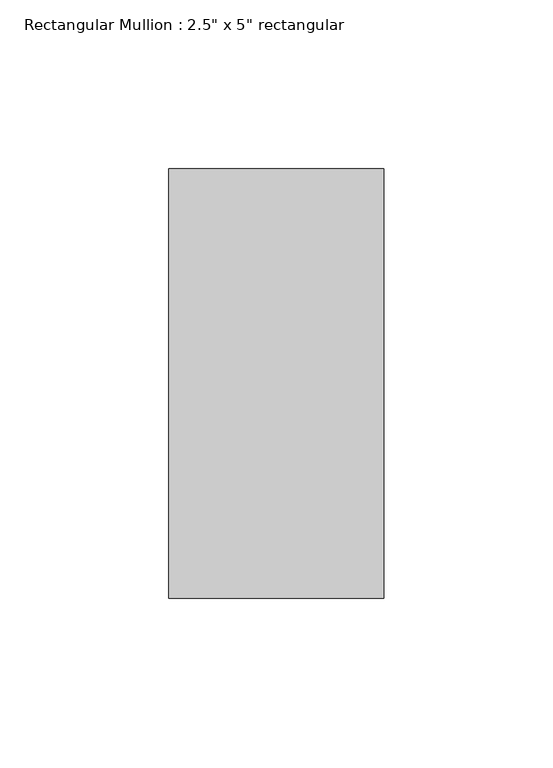
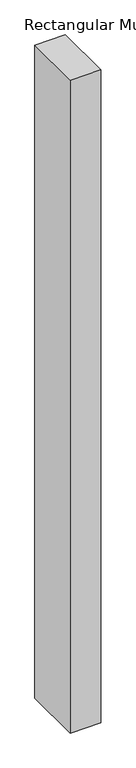
"""IFC4 building model written with IfcOpenShell, lengths in millimetres: member geometry."""

import ifcopenshell
import ifcopenshell.guid

model = None  # the IFC model being written
_history = None  # IfcOwnerHistory: only IFC2X3 demands one
_inside = {}  # id of a spatial element -> (the spatial element, [elements in it])
_under = {}  # id of a project, library or spatial element -> (it, [spatial elements below it])
_declared = {}  # id of a project -> (the project, [libraries it declares])
_typed = {}  # id of a type object -> (the type object, [elements of that type])
_made_of = {}  # id of a material, layer set ... -> (it, [elements and type objects made of it])


def new_model(schema):
    """Start an empty IFC model of exactly this schema.

    Asked for "IFC4X3", IfcOpenShell would pick the latest addendum, in which some entities
    have other attributes; the version numbers below select the first issue.
    IFC2X3 requires an IfcOwnerHistory on every rooted entity: one is made here for all.
    """
    global model, _history
    if schema == "IFC4X3":
        model = ifcopenshell.file(schema_version=(4, 3, 0, 0))
    else:
        model = ifcopenshell.file(schema=schema)
    _inside.clear()
    _under.clear()
    _declared.clear()
    _typed.clear()
    _made_of.clear()
    _history = None
    if model.schema == "IFC2X3":
        org = make("IfcOrganization", Name="unknown")
        user = make(
            "IfcPersonAndOrganization",
            ThePerson=make("IfcPerson", FamilyName="unknown"),
            TheOrganization=org,
        )
        app = make(
            "IfcApplication",
            ApplicationDeveloper=org,
            Version="unknown",
            ApplicationFullName="unknown",
            ApplicationIdentifier="unknown",
        )
        _history = make(
            "IfcOwnerHistory",
            OwningUser=user,
            OwningApplication=app,
            ChangeAction="ADDED",
            CreationDate=0,
        )
    return model


def make(cls, **values):
    """One entity of the class cls with the attributes given. An attribute that is None is left unset."""
    return model.create_entity(
        cls, **{name: value for name, value in values.items() if value is not None}
    )


def rooted(cls, **values):
    """An entity with a GlobalId (a new one), such as an element, a storey or a relation."""
    return make(cls, GlobalId=ifcopenshell.guid.new(), OwnerHistory=_history, **values)


def si_unit(unit_type, name, prefix=None):
    """IfcSIUnit, for example si_unit("LENGTHUNIT", "METRE", prefix="MILLI")."""
    return make("IfcSIUnit", UnitType=unit_type, Prefix=prefix, Name=name)


def assignment(units):
    """IfcUnitAssignment: the units of a project."""
    return None if units is None else make("IfcUnitAssignment", Units=units)


def point(xyz):
    """IfcCartesianPoint."""
    return None if xyz is None else make("IfcCartesianPoint", Coordinates=xyz)


def direction(xyz):
    """IfcDirection."""
    return None if xyz is None else make("IfcDirection", DirectionRatios=xyz)


def frame(location, z_axis=None, x_axis=None):
    """IfcAxis2Placement3D, a coordinate frame: its origin and axes. An axis left out is left unset."""
    return make(
        "IfcAxis2Placement3D",
        Location=point(location),
        Axis=direction(z_axis),
        RefDirection=direction(x_axis),
    )


def origin():
    """The frame at (0, 0, 0) with its axes left unset."""
    return frame((0.0, 0.0, 0.0))


def place(relative_to, where):
    """IfcLocalPlacement: puts the frame where relative to a parent placement (None: the world)."""
    return make(
        "IfcLocalPlacement", PlacementRelTo=relative_to, RelativePlacement=where
    )


def context(
    kind, dimensions, precision=None, world=None, true_north=None, identifier=None
):
    """IfcGeometricRepresentationContext, for example the 3D "Model" context."""
    return make(
        "IfcGeometricRepresentationContext",
        ContextIdentifier=identifier,
        ContextType=kind,
        CoordinateSpaceDimension=dimensions,
        Precision=precision,
        WorldCoordinateSystem=world,
        TrueNorth=true_north,
    )


def project(units=None, contexts=None):
    """IfcProject with its units and contexts."""
    return rooted(
        "IfcProject",
        Name="project",
        RepresentationContexts=contexts,
        UnitsInContext=assignment(units),
    )


def spatial(cls, under=None, at=None, **own):
    """A site, building, storey or space (cls), placed at a placement, below another one or the project."""
    s = rooted(cls, ObjectPlacement=at, **own)
    if under is not None:
        _under.setdefault(under.id(), (under, []))[1].append(s)
    return s


def polyline(points):
    """IfcPolyline through the points."""
    return make("IfcPolyline", Points=[point(p) for p in points])


def outline(outer, holes=None, kind="AREA"):
    """IfcArbitraryClosedProfileDef: a profile drawn as a closed curve; with holes, ...WithVoids."""
    if holes is None:
        return make("IfcArbitraryClosedProfileDef", ProfileType=kind, OuterCurve=outer)
    return make(
        "IfcArbitraryProfileDefWithVoids",
        ProfileType=kind,
        OuterCurve=outer,
        InnerCurves=holes,
    )


def extrude(swept, where, along, depth):
    """IfcExtrudedAreaSolid: the profile swept, set in the frame where, extruded along a direction by depth."""
    return make(
        "IfcExtrudedAreaSolid",
        SweptArea=swept,
        Position=where,
        ExtrudedDirection=direction(along),
        Depth=depth,
    )


def shape(context_of_items, identifier, shape_type, items):
    """IfcShapeRepresentation: the items that make up one representation, for example the "Body"."""
    return make(
        "IfcShapeRepresentation",
        ContextOfItems=context_of_items,
        RepresentationIdentifier=identifier,
        RepresentationType=shape_type,
        Items=items,
    )


def source(mapping_origin, context_of_items, identifier, shape_type, items):
    """IfcRepresentationMap: a shape defined once, which mapped items show again and again."""
    return make(
        "IfcRepresentationMap",
        MappingOrigin=mapping_origin,
        MappedRepresentation=shape(context_of_items, identifier, shape_type, items),
    )


def transform(
    local_origin,
    x_axis=None,
    y_axis=None,
    z_axis=None,
    scale=None,
    scale2=None,
    scale3=None,
    uniform=True,
):
    """IfcCartesianTransformationOperator3D, or its non-uniform kind. x_axis, y_axis, z_axis: its Axis1, 2, 3."""
    if uniform:
        return make(
            "IfcCartesianTransformationOperator3D",
            Axis1=direction(x_axis),
            Axis2=direction(y_axis),
            LocalOrigin=point(local_origin),
            Scale=scale,
            Axis3=direction(z_axis),
        )
    return make(
        "IfcCartesianTransformationOperator3DnonUniform",
        Axis1=direction(x_axis),
        Axis2=direction(y_axis),
        LocalOrigin=point(local_origin),
        Scale=scale,
        Axis3=direction(z_axis),
        Scale2=scale2,
        Scale3=scale3,
    )


def mapped(mapping_source, mapping_target):
    """IfcMappedItem: shows the shape of a source again, moved by a transform."""
    return make(
        "IfcMappedItem", MappingSource=mapping_source, MappingTarget=mapping_target
    )


def made_of(thing, what):
    """Note that an element or type object is made of a material, layer set ...; save() writes the relation."""
    if what is not None:
        _made_of.setdefault(what.id(), (what, []))[1].append(thing)
    return thing


def element(
    cls,
    number,
    at=None,
    inside=None,
    cuts=None,
    type_object=None,
    material=None,
    context=None,
    identifier="Body",
    shape_type=None,
    held_by="IfcProductDefinitionShape",
    body=None,
    shapes=None,
    **own,
):
    """One element of the class cls, such as IfcWall. Its Tag is "e" and its number.

    at: its placement. inside: the storey or other place that contains it. cuts: it is an
    opening in that element (IfcRelVoidsElement). A single representation is given by context,
    identifier, shape_type and body (its items); several are given by shapes. held_by: the class
    of the entity that holds the representations. save() writes the other relations.
    """
    e = rooted(cls, Tag="e%d" % number, ObjectPlacement=at, **own)
    if body is not None:
        shapes = [shape(context, identifier, shape_type, body)]
    if shapes is not None:
        e.Representation = make(held_by, Representations=shapes)
    if inside is not None:
        _inside.setdefault(inside.id(), (inside, []))[1].append(e)
    if cuts is not None:
        rooted(
            "IfcRelVoidsElement", RelatingBuildingElement=cuts, RelatedOpeningElement=e
        )
    if type_object is not None:
        _typed.setdefault(type_object.id(), (type_object, []))[1].append(e)
    return made_of(e, material)


def aggregate(whole, parts):
    """IfcRelAggregates: a whole, such as a stair, and the parts it consists of."""
    return rooted("IfcRelAggregates", RelatingObject=whole, RelatedObjects=parts)


def save(model, path):
    """Write the relations noted so far, then the file.

    IfcRelAggregates (storeys below a building ...), IfcRelContainedInSpatialStructure (elements
    in a storey), IfcRelDefinesByType, IfcRelAssociatesMaterial and IfcRelDeclares: one each for
    every whole, place, type object, material and project.
    """
    for whole, parts in _under.values():
        aggregate(whole, parts)
    for where, things in _inside.values():
        rooted(
            "IfcRelContainedInSpatialStructure",
            RelatedElements=things,
            RelatingStructure=where,
        )
    for kind, things in _typed.values():
        rooted("IfcRelDefinesByType", RelatedObjects=things, RelatingType=kind)
    for what, things in _made_of.values():
        rooted("IfcRelAssociatesMaterial", RelatedObjects=things, RelatingMaterial=what)
    for by, libraries in _declared.values():
        rooted("IfcRelDeclares", RelatingContext=by, RelatedDefinitions=libraries)
    model.write(path)


def member_78981e97(model_context):
    return source(origin(), model_context, "Body", "SweptSolid", [
        extrude(outline(polyline([(0.0, 63.5), (0.0, -63.5), (-63.5, -63.5), (-63.5, 63.5), (0.0, 63.5)])), frame((0.0, 0.0, -1435.1), z_axis=(0.0, 0.0, 1.0), x_axis=(1.0, 0.0, 0.0)), (0.0, 0.0, 1.0), 1435.1),
    ])


if __name__ == "__main__":
    model = new_model("IFC4")
    model_context = context("Model", 3, world=origin())
    ifc_project = project(units=[si_unit("LENGTHUNIT", "METRE", prefix="MILLI")], contexts=[model_context])
    site = spatial("IfcSite", under=ifc_project)
    building = spatial("IfcBuilding", under=site)
    placement = place(None, origin())
    member_shape = member_78981e97(model_context)
    element("IfcMember", 1, ObjectType="Rectangular Mullion : 2.5\" x 5\" rectangular", at=placement, inside=building, context=model_context, shape_type="MappedRepresentation", body=[
        mapped(member_shape, transform((0.0, 0.0, 0.0), x_axis=(1.0, 0.0, 0.0), y_axis=(0.0, 1.0, 0.0), z_axis=(0.0, 0.0, 1.0))),
    ])
    save(model, "model.ifc")
